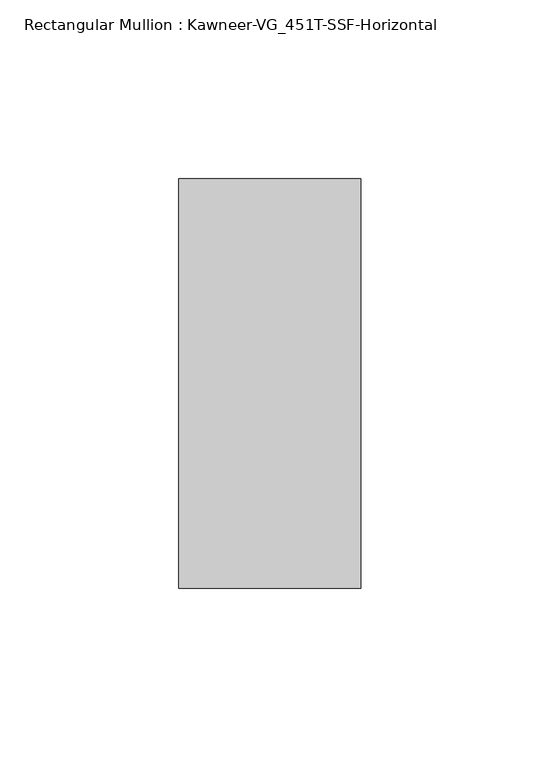
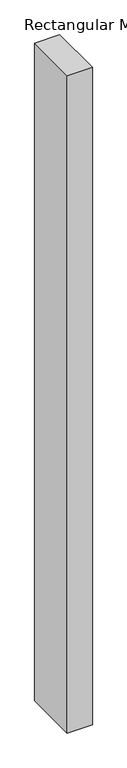
"""IFC4 building model written with IfcOpenShell, lengths in millimetres: member geometry, Rectangular Mullion : Kawneer-VG_451T-SSF-Horizontal."""

from ifc_helpers import new_model, si_unit, frame, origin, place, context, project, spatial, polyline, outline, extrude, source, transform, mapped, element, save


def rectangular_mullion_kawneer_vg_451t_ssf_horizontal_c1d5c783(model_context):
    return source(origin(), model_context, "Body", "SweptSolid", [
        extrude(outline(polyline([(25.4, 57.15), (25.4, -57.15), (-25.4, -57.15), (-25.4, 57.15), (25.4, 57.15)])), frame((0.0, 0.0, -1409.7), z_axis=(0.0, 0.0, 1.0), x_axis=(1.0, 0.0, 0.0)), (0.0, 0.0, 1.0), 1409.7),
    ])


if __name__ == "__main__":
    model = new_model("IFC4")
    model_context = context("Model", 3, world=origin())
    ifc_project = project(units=[si_unit("LENGTHUNIT", "METRE", prefix="MILLI")], contexts=[model_context])
    site = spatial("IfcSite", under=ifc_project)
    building = spatial("IfcBuilding", under=site)
    placement = place(None, origin())
    rectangular_mullion_kawneer_vg_451t_ssf_horizontal_shape = rectangular_mullion_kawneer_vg_451t_ssf_horizontal_c1d5c783(model_context)
    element("IfcMember", 1, ObjectType="Rectangular Mullion : Kawneer-VG_451T-SSF-Horizontal", at=placement, inside=building, context=model_context, shape_type="MappedRepresentation", body=[
        mapped(rectangular_mullion_kawneer_vg_451t_ssf_horizontal_shape, transform((0.0, 0.0, 0.0), x_axis=(1.0, 0.0, 0.0), y_axis=(0.0, 1.0, 0.0), z_axis=(0.0, 0.0, 1.0))),
    ])
    save(model, "model.ifc")
